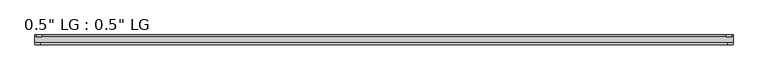
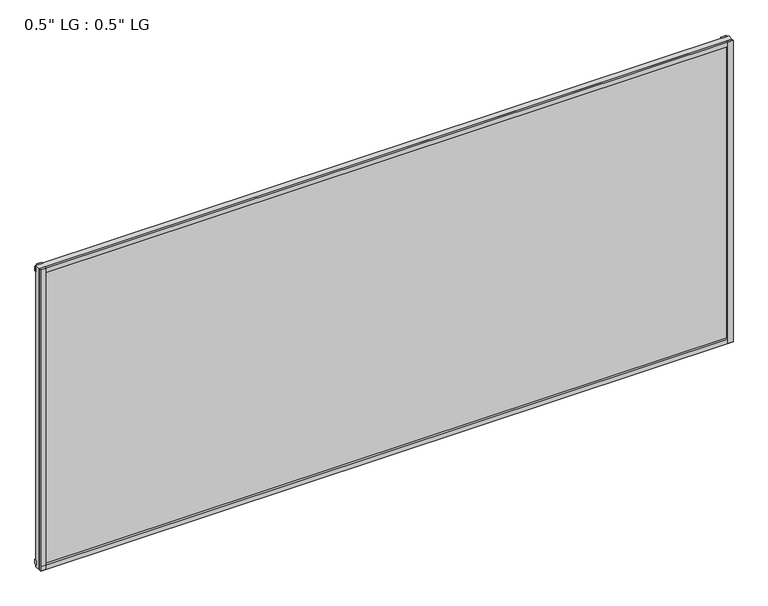
"""IFC4 building model written with IfcOpenShell, lengths in millimetres: plate geometry."""

from ifc_helpers import new_model, si_unit, frame, origin, origin_with_axes, place, context, project, spatial, polyline, outline, extrude, source, transform, mapped, element, save


def plate_167bd58b(model_context):
    return source(origin(), model_context, "Body", "SweptSolid", [
        extrude(outline(polyline([(809.6581873, -33.3271813), (809.6581873, -38.0007813), (797.5205077, -38.0007813), (797.5205077, -33.3271813), (809.6581873, -33.3271813)])), origin_with_axes(), (0.0, 0.0, 1.0), 744.6980689),
        extrude(outline(polyline([(806.1268336, -15.5217813), (806.1268336, -19.7127813), (794.1144097, -19.7127813), (794.1144097, -15.5217813), (806.1268336, -15.5217813)])), origin_with_axes(), (0.0, 0.0, 1.0), 744.6980689),
        extrude(outline(polyline([(-797.3676093, -38.0007812), (-809.6581873, -38.0007812), (-809.6581873, -33.3271813), (-797.3676093, -33.3271813), (-797.3676093, -38.0007812)])), origin_with_axes(), (0.0, 0.0, 1.0), 744.6980689),
        extrude(outline(polyline([(-793.4083713, -19.7127813), (-805.6989493, -19.7127813), (-805.6989493, -15.5217812), (-793.4083713, -15.5217812), (-793.4083713, -19.7127813)])), origin_with_axes(), (0.0, 0.0, 1.0), 744.6980689),
        extrude(outline(polyline([(809.6581873, -33.3271813), (809.6581873, -38.0007813), (-809.6581873, -38.0007812), (-809.6581873, -33.3271813), (809.6581873, -33.3271813)])), origin_with_axes(), (0.0, 0.0, 1.0), 11.1693096),
        extrude(outline(polyline([(809.6581873, -15.3590708), (809.6581873, -20.1364307), (-809.6581873, -20.1364307), (-809.6581873, -15.3590708), (809.6581873, -15.3590708)])), frame((0.0, 0.0, 3.848913), z_axis=(0.0, 0.0, 1.0), x_axis=(1.0, 0.0, 0.0)), (0.0, 0.0, 1.0), 11.1693096),
        extrude(outline(polyline([(809.6581873, -33.3271813), (809.6581873, -38.0007813), (-809.6581873, -38.0007812), (-809.6581873, -33.3271813), (809.6581873, -33.3271813)])), frame((0.0, 0.0, 733.516963), z_axis=(0.0, 0.0, 1.0), x_axis=(1.0, 0.0, 0.0)), (0.0, 0.0, 1.0), 11.1811058),
        extrude(outline(polyline([(809.6581873, -15.5217813), (809.6581873, -19.7127813), (-809.6581873, -19.7127812), (-809.6581873, -15.5217813), (809.6581873, -15.5217813)])), frame((0.0, 0.0, 728.9578163), z_axis=(0.0, 0.0, 1.0), x_axis=(1.0, 0.0, 0.0)), (0.0, 0.0, 1.0), 11.1811058),
        extrude(outline(polyline([(809.6581873, -33.3271812), (-809.6581873, -33.3271812), (-809.6581873, -19.7127812), (809.6581873, -19.7127812), (809.6581873, -33.3271812)])), origin_with_axes(), (0.0, 0.0, 1.0), 744.6980689),
    ])


if __name__ == "__main__":
    model = new_model("IFC4")
    model_context = context("Model", 3, world=origin())
    ifc_project = project(units=[si_unit("LENGTHUNIT", "METRE", prefix="MILLI")], contexts=[model_context])
    site = spatial("IfcSite", under=ifc_project)
    building = spatial("IfcBuilding", under=site)
    placement = place(None, origin())
    plate_shape = plate_167bd58b(model_context)
    element("IfcPlate", 1, ObjectType="0.5\" LG : 0.5\" LG", at=placement, inside=building, context=model_context, shape_type="MappedRepresentation", body=[
        mapped(plate_shape, transform((0.0, 0.0, 0.0), x_axis=(1.0, 0.0, 0.0), y_axis=(0.0, 1.0, 0.0), z_axis=(0.0, 0.0, 1.0))),
    ])
    save(model, "model.ifc")
